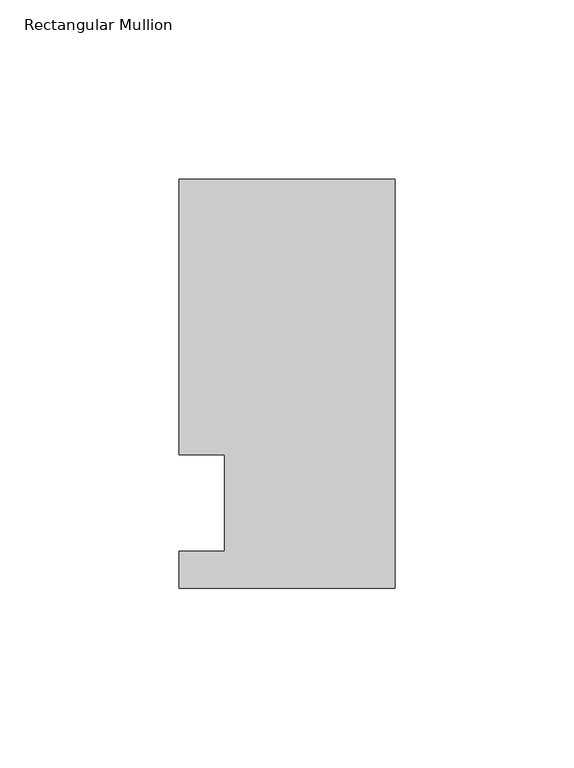
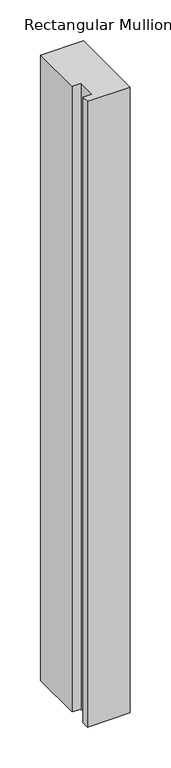
"""IFC4 building model written with IfcOpenShell, lengths in millimetres: member geometry, Rectangular Mullion."""

from ifc_helpers import new_model, si_unit, frame, origin, place, context, project, spatial, polyline, outline, extrude, source, transform, mapped, element, save


def rectangular_mullion_fefb4ef3(model_context):
    return source(origin(), model_context, "Body", "SweptSolid", [
        extrude(outline(polyline([(-60.325, 90.4875), (0.0, 90.4875), (0.0, -23.8125), (-60.325, -23.8125), (-60.325, -13.49375), (-47.6232296, -13.49375), (-47.6232296, 13.49375), (-60.325, 13.49375), (-60.325, 90.4875)])), frame((0.0, 0.0, -934.6094027), z_axis=(0.0, 0.0, 1.0), x_axis=(1.0, 0.0, 0.0)), (0.0, 0.0, 1.0), 934.6094027),
    ])


if __name__ == "__main__":
    model = new_model("IFC4")
    model_context = context("Model", 3, world=origin())
    ifc_project = project(units=[si_unit("LENGTHUNIT", "METRE", prefix="MILLI")], contexts=[model_context])
    site = spatial("IfcSite", under=ifc_project)
    building = spatial("IfcBuilding", under=site)
    placement = place(None, origin())
    rectangular_mullion_shape = rectangular_mullion_fefb4ef3(model_context)
    element("IfcMember", 1, ObjectType="Rectangular Mullion", at=placement, inside=building, context=model_context, shape_type="MappedRepresentation", body=[
        mapped(rectangular_mullion_shape, transform((0.0, 0.0, 0.0), x_axis=(1.0, 0.0, 0.0), y_axis=(0.0, 1.0, 0.0), z_axis=(0.0, 0.0, 1.0))),
    ])
    save(model, "model.ifc")
